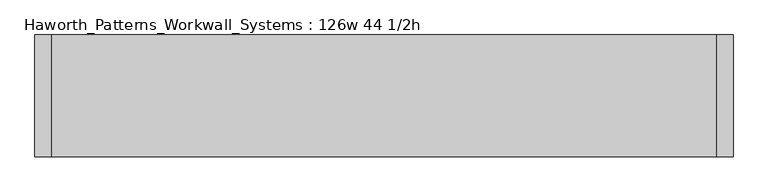
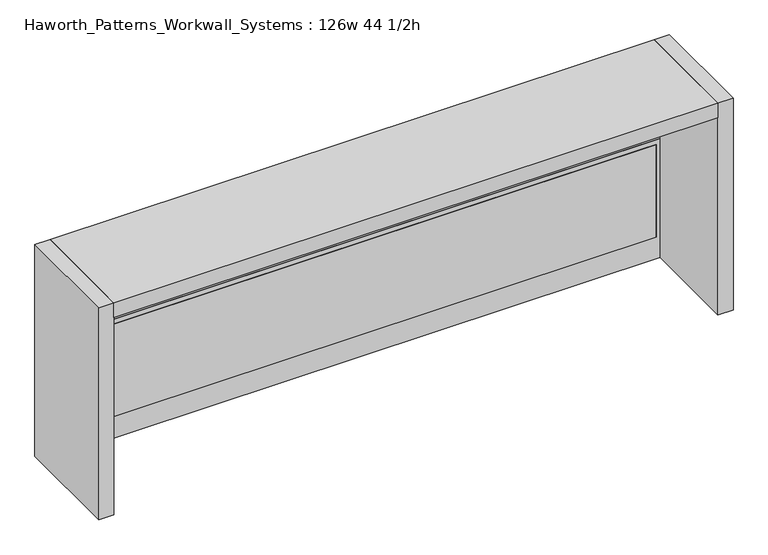
"""IFC4 building model written with IfcOpenShell, lengths in millimetres: furniture geometry, Haworth_Patterns_Workwall_Systems : 126w 44 1/2h."""

from ifc_helpers import new_model, si_unit, frame, origin, origin_with_axes, place, context, project, spatial, polyline, outline, extrude, source, transform, mapped, element, save


def haworth_patterns_workwall_systems_126w_44_1_2h_fb70efa0(model_context):
    return source(origin(), model_context, "Body", "SweptSolid", [
        extrude(outline(polyline([(1054.1, 914.4), (1054.1, -2133.6), (635.0, -2133.6), (635.0, 914.4), (1054.1, 914.4)]), holes=[polyline([(1035.05, 895.35), (654.05, 895.35), (654.05, -2114.55), (1035.05, -2114.55), (1035.05, 895.35)])]), frame((0.0, 330.2, 0.0), z_axis=(0.0, 1.0, 0.0), x_axis=(0.0, 0.0, 1.0)), (0.0, 0.0, 1.0), 25.4),
        extrude(outline(polyline([(895.35, 330.2), (-2114.55, 330.2), (-2114.55, 355.6), (895.35, 355.6), (895.35, 330.2)])), frame((0.0, 0.0, 114.3), z_axis=(0.0, 0.0, 1.0), x_axis=(1.0, 0.0, 0.0)), (0.0, 0.0, 1.0), 495.3),
        extrude(outline(polyline([(635.0, 914.4), (635.0, -2133.6), (0.0, -2133.6), (0.0, 914.4), (635.0, 914.4)]), holes=[polyline([(609.6, 895.35), (114.3, 895.35), (114.3, -2114.55), (609.6, -2114.55), (609.6, 895.35)])]), frame((0.0, 330.2, 0.0), z_axis=(0.0, 1.0, 0.0), x_axis=(0.0, 0.0, 1.0)), (0.0, 0.0, 1.0), 25.4),
        extrude(outline(polyline([(914.4, -177.8), (-2133.6, -177.8), (-2133.6, 381.0), (914.4, 381.0), (914.4, -177.8)])), frame((0.0, 0.0, 1054.1), z_axis=(0.0, 0.0, 1.0), x_axis=(1.0, 0.0, 0.0)), (0.0, 0.0, 1.0), 76.2),
        extrude(outline(polyline([(990.6, 381.0), (990.6, -177.8), (914.4, -177.8), (914.4, 381.0), (990.6, 381.0)])), origin_with_axes(), (0.0, 0.0, 1.0), 1130.3),
        extrude(outline(polyline([(-2133.6, 381.0), (-2133.6, -177.8), (-2209.8, -177.8), (-2209.8, 381.0), (-2133.6, 381.0)])), origin_with_axes(), (0.0, 0.0, 1.0), 1130.3),
    ])


if __name__ == "__main__":
    model = new_model("IFC4")
    model_context = context("Model", 3, world=origin())
    ifc_project = project(units=[si_unit("LENGTHUNIT", "METRE", prefix="MILLI")], contexts=[model_context])
    site = spatial("IfcSite", under=ifc_project)
    building = spatial("IfcBuilding", under=site)
    placement = place(None, origin())
    haworth_patterns_workwall_systems_126w_44_1_2h_shape = haworth_patterns_workwall_systems_126w_44_1_2h_fb70efa0(model_context)
    element("IfcFurniture", 1, ObjectType="Haworth_Patterns_Workwall_Systems : 126w 44 1/2h", at=placement, inside=building, context=model_context, shape_type="MappedRepresentation", body=[
        mapped(haworth_patterns_workwall_systems_126w_44_1_2h_shape, transform((0.0, 0.0, 0.0), x_axis=(1.0, 0.0, 0.0), y_axis=(0.0, 1.0, 0.0), z_axis=(0.0, 0.0, 1.0))),
    ])
    save(model, "model.ifc")
